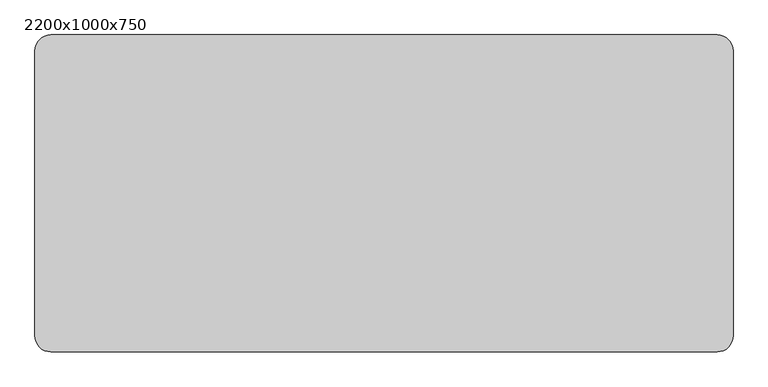
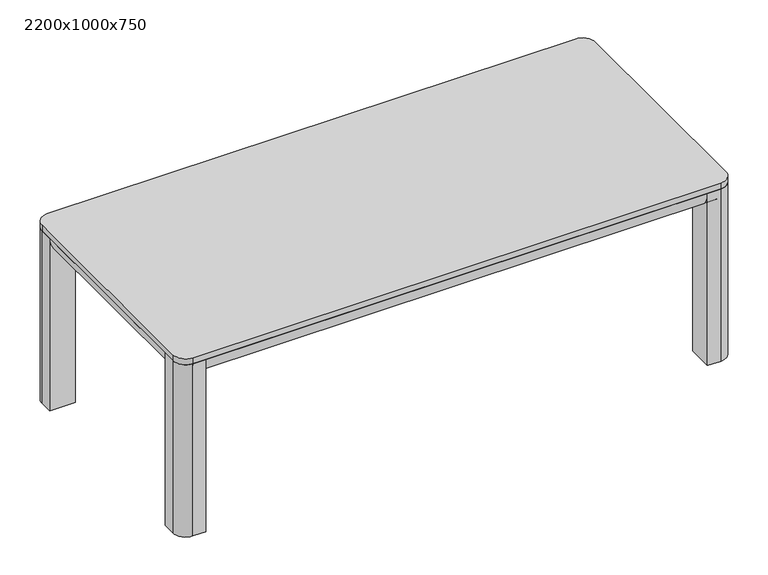
"""IFC4 building model written with IfcOpenShell, lengths in millimetres: furniture geometry, 2200x1000x750."""

import ifcopenshell
import ifcopenshell.guid

model = None  # the IFC model being written
_history = None  # IfcOwnerHistory: only IFC2X3 demands one
_inside = {}  # id of a spatial element -> (the spatial element, [elements in it])
_under = {}  # id of a project, library or spatial element -> (it, [spatial elements below it])
_declared = {}  # id of a project -> (the project, [libraries it declares])
_typed = {}  # id of a type object -> (the type object, [elements of that type])
_made_of = {}  # id of a material, layer set ... -> (it, [elements and type objects made of it])


def new_model(schema):
    """Start an empty IFC model of exactly this schema.

    Asked for "IFC4X3", IfcOpenShell would pick the latest addendum, in which some entities
    have other attributes; the version numbers below select the first issue.
    IFC2X3 requires an IfcOwnerHistory on every rooted entity: one is made here for all.
    """
    global model, _history
    if schema == "IFC4X3":
        model = ifcopenshell.file(schema_version=(4, 3, 0, 0))
    else:
        model = ifcopenshell.file(schema=schema)
    _inside.clear()
    _under.clear()
    _declared.clear()
    _typed.clear()
    _made_of.clear()
    _history = None
    if model.schema == "IFC2X3":
        org = make("IfcOrganization", Name="unknown")
        user = make(
            "IfcPersonAndOrganization",
            ThePerson=make("IfcPerson", FamilyName="unknown"),
            TheOrganization=org,
        )
        app = make(
            "IfcApplication",
            ApplicationDeveloper=org,
            Version="unknown",
            ApplicationFullName="unknown",
            ApplicationIdentifier="unknown",
        )
        _history = make(
            "IfcOwnerHistory",
            OwningUser=user,
            OwningApplication=app,
            ChangeAction="ADDED",
            CreationDate=0,
        )
    return model


def make(cls, **values):
    """One entity of the class cls with the attributes given. An attribute that is None is left unset."""
    return model.create_entity(
        cls, **{name: value for name, value in values.items() if value is not None}
    )


def rooted(cls, **values):
    """An entity with a GlobalId (a new one), such as an element, a storey or a relation."""
    return make(cls, GlobalId=ifcopenshell.guid.new(), OwnerHistory=_history, **values)


def si_unit(unit_type, name, prefix=None):
    """IfcSIUnit, for example si_unit("LENGTHUNIT", "METRE", prefix="MILLI")."""
    return make("IfcSIUnit", UnitType=unit_type, Prefix=prefix, Name=name)


def assignment(units):
    """IfcUnitAssignment: the units of a project."""
    return None if units is None else make("IfcUnitAssignment", Units=units)


def point(xyz):
    """IfcCartesianPoint."""
    return None if xyz is None else make("IfcCartesianPoint", Coordinates=xyz)


def direction(xyz):
    """IfcDirection."""
    return None if xyz is None else make("IfcDirection", DirectionRatios=xyz)


def frame(location, z_axis=None, x_axis=None):
    """IfcAxis2Placement3D, a coordinate frame: its origin and axes. An axis left out is left unset."""
    return make(
        "IfcAxis2Placement3D",
        Location=point(location),
        Axis=direction(z_axis),
        RefDirection=direction(x_axis),
    )


def frame_2d(location, x_axis=None):
    """IfcAxis2Placement2D, a coordinate frame in the plane: its origin and x axis."""
    return make(
        "IfcAxis2Placement2D", Location=point(location), RefDirection=direction(x_axis)
    )


def origin():
    """The frame at (0, 0, 0) with its axes left unset."""
    return frame((0.0, 0.0, 0.0))


def origin_with_axes():
    """The frame at (0, 0, 0) with the z axis (0, 0, 1) and the x axis (1, 0, 0) written out."""
    return frame((0.0, 0.0, 0.0), z_axis=(0.0, 0.0, 1.0), x_axis=(1.0, 0.0, 0.0))


def place(relative_to, where):
    """IfcLocalPlacement: puts the frame where relative to a parent placement (None: the world)."""
    return make(
        "IfcLocalPlacement", PlacementRelTo=relative_to, RelativePlacement=where
    )


def context(
    kind, dimensions, precision=None, world=None, true_north=None, identifier=None
):
    """IfcGeometricRepresentationContext, for example the 3D "Model" context."""
    return make(
        "IfcGeometricRepresentationContext",
        ContextIdentifier=identifier,
        ContextType=kind,
        CoordinateSpaceDimension=dimensions,
        Precision=precision,
        WorldCoordinateSystem=world,
        TrueNorth=true_north,
    )


def project(units=None, contexts=None):
    """IfcProject with its units and contexts."""
    return rooted(
        "IfcProject",
        Name="project",
        RepresentationContexts=contexts,
        UnitsInContext=assignment(units),
    )


def spatial(cls, under=None, at=None, **own):
    """A site, building, storey or space (cls), placed at a placement, below another one or the project."""
    s = rooted(cls, ObjectPlacement=at, **own)
    if under is not None:
        _under.setdefault(under.id(), (under, []))[1].append(s)
    return s


def polyline(points):
    """IfcPolyline through the points."""
    return make("IfcPolyline", Points=[point(p) for p in points])


def circle_curve(where, radius):
    """IfcCircle in the frame where."""
    return make("IfcCircle", Position=where, Radius=radius)


def trimmed(basis, trim1, trim2, sense, master):
    """IfcTrimmedCurve: the piece of a basis curve between two trims."""
    return make(
        "IfcTrimmedCurve",
        BasisCurve=basis,
        Trim1=trim1,
        Trim2=trim2,
        SenseAgreement=sense,
        MasterRepresentation=master,
    )


def segment(curve, same_sense, transition):
    """IfcCompositeCurveSegment."""
    return make(
        "IfcCompositeCurveSegment",
        Transition=transition,
        SameSense=same_sense,
        ParentCurve=curve,
    )


def composite_curve(segments, self_intersect=None):
    """IfcCompositeCurve: segments joined end to end."""
    return make("IfcCompositeCurve", Segments=segments, SelfIntersect=self_intersect)


def outline(outer, holes=None, kind="AREA"):
    """IfcArbitraryClosedProfileDef: a profile drawn as a closed curve; with holes, ...WithVoids."""
    if holes is None:
        return make("IfcArbitraryClosedProfileDef", ProfileType=kind, OuterCurve=outer)
    return make(
        "IfcArbitraryProfileDefWithVoids",
        ProfileType=kind,
        OuterCurve=outer,
        InnerCurves=holes,
    )


def extrude(swept, where, along, depth):
    """IfcExtrudedAreaSolid: the profile swept, set in the frame where, extruded along a direction by depth."""
    return make(
        "IfcExtrudedAreaSolid",
        SweptArea=swept,
        Position=where,
        ExtrudedDirection=direction(along),
        Depth=depth,
    )


def shape(context_of_items, identifier, shape_type, items):
    """IfcShapeRepresentation: the items that make up one representation, for example the "Body"."""
    return make(
        "IfcShapeRepresentation",
        ContextOfItems=context_of_items,
        RepresentationIdentifier=identifier,
        RepresentationType=shape_type,
        Items=items,
    )


def source(mapping_origin, context_of_items, identifier, shape_type, items):
    """IfcRepresentationMap: a shape defined once, which mapped items show again and again."""
    return make(
        "IfcRepresentationMap",
        MappingOrigin=mapping_origin,
        MappedRepresentation=shape(context_of_items, identifier, shape_type, items),
    )


def transform(
    local_origin,
    x_axis=None,
    y_axis=None,
    z_axis=None,
    scale=None,
    scale2=None,
    scale3=None,
    uniform=True,
):
    """IfcCartesianTransformationOperator3D, or its non-uniform kind. x_axis, y_axis, z_axis: its Axis1, 2, 3."""
    if uniform:
        return make(
            "IfcCartesianTransformationOperator3D",
            Axis1=direction(x_axis),
            Axis2=direction(y_axis),
            LocalOrigin=point(local_origin),
            Scale=scale,
            Axis3=direction(z_axis),
        )
    return make(
        "IfcCartesianTransformationOperator3DnonUniform",
        Axis1=direction(x_axis),
        Axis2=direction(y_axis),
        LocalOrigin=point(local_origin),
        Scale=scale,
        Axis3=direction(z_axis),
        Scale2=scale2,
        Scale3=scale3,
    )


def mapped(mapping_source, mapping_target):
    """IfcMappedItem: shows the shape of a source again, moved by a transform."""
    return make(
        "IfcMappedItem", MappingSource=mapping_source, MappingTarget=mapping_target
    )


def made_of(thing, what):
    """Note that an element or type object is made of a material, layer set ...; save() writes the relation."""
    if what is not None:
        _made_of.setdefault(what.id(), (what, []))[1].append(thing)
    return thing


def element(
    cls,
    number,
    at=None,
    inside=None,
    cuts=None,
    type_object=None,
    material=None,
    context=None,
    identifier="Body",
    shape_type=None,
    held_by="IfcProductDefinitionShape",
    body=None,
    shapes=None,
    **own,
):
    """One element of the class cls, such as IfcWall. Its Tag is "e" and its number.

    at: its placement. inside: the storey or other place that contains it. cuts: it is an
    opening in that element (IfcRelVoidsElement). A single representation is given by context,
    identifier, shape_type and body (its items); several are given by shapes. held_by: the class
    of the entity that holds the representations. save() writes the other relations.
    """
    e = rooted(cls, Tag="e%d" % number, ObjectPlacement=at, **own)
    if body is not None:
        shapes = [shape(context, identifier, shape_type, body)]
    if shapes is not None:
        e.Representation = make(held_by, Representations=shapes)
    if inside is not None:
        _inside.setdefault(inside.id(), (inside, []))[1].append(e)
    if cuts is not None:
        rooted(
            "IfcRelVoidsElement", RelatingBuildingElement=cuts, RelatedOpeningElement=e
        )
    if type_object is not None:
        _typed.setdefault(type_object.id(), (type_object, []))[1].append(e)
    return made_of(e, material)


def aggregate(whole, parts):
    """IfcRelAggregates: a whole, such as a stair, and the parts it consists of."""
    return rooted("IfcRelAggregates", RelatingObject=whole, RelatedObjects=parts)


def save(model, path):
    """Write the relations noted so far, then the file.

    IfcRelAggregates (storeys below a building ...), IfcRelContainedInSpatialStructure (elements
    in a storey), IfcRelDefinesByType, IfcRelAssociatesMaterial and IfcRelDeclares: one each for
    every whole, place, type object, material and project.
    """
    for whole, parts in _under.values():
        aggregate(whole, parts)
    for where, things in _inside.values():
        rooted(
            "IfcRelContainedInSpatialStructure",
            RelatedElements=things,
            RelatingStructure=where,
        )
    for kind, things in _typed.values():
        rooted("IfcRelDefinesByType", RelatedObjects=things, RelatingType=kind)
    for what, things in _made_of.values():
        rooted("IfcRelAssociatesMaterial", RelatedObjects=things, RelatingMaterial=what)
    for by, libraries in _declared.values():
        rooted("IfcRelDeclares", RelatingContext=by, RelatedDefinitions=libraries)
    model.write(path)


def furniture_2200x1000x750_7fd173e7(model_context):
    return source(origin(), model_context, "Body", "SweptSolid", [
        extrude(outline(composite_curve([segment(polyline([(0.0, -950.0), (0.0, -898.0), (102.0, -898.0), (102.0, -1000.0), (50.0, -1000.0)]), True, "CONTINUOUS"), segment(trimmed(circle_curve(frame_2d((50.0, -950.0)), 50.0), [point((50.0, -1000.0))], [point((0.0, -950.0))], False, "CARTESIAN"), True, "CONTINUOUS")], self_intersect=False)), origin_with_axes(), (0.0, 0.0, 1.0), 725.0),
        extrude(outline(composite_curve([segment(trimmed(circle_curve(frame_2d((2150.0, -950.0)), 50.0), [point((2200.0, -950.0))], [point((2150.0, -1000.0))], False, "CARTESIAN"), True, "CONTINUOUS"), segment(polyline([(2150.0, -1000.0), (2098.0, -1000.0), (2098.0, -898.0), (2200.0, -898.0), (2200.0, -950.0)]), True, "CONTINUOUS")], self_intersect=False)), origin_with_axes(), (0.0, 0.0, 1.0), 725.0),
        extrude(outline(composite_curve([segment(polyline([(2200.0, -50.0), (2200.0, -102.0), (2098.0, -102.0), (2098.0, 0.0), (2150.0, 0.0)]), True, "CONTINUOUS"), segment(trimmed(circle_curve(frame_2d((2150.0, -50.0)), 50.0), [point((2150.0, 0.0))], [point((2200.0, -50.0))], False, "CARTESIAN"), True, "CONTINUOUS")], self_intersect=False)), origin_with_axes(), (0.0, 0.0, 1.0), 725.0),
        extrude(outline(composite_curve([segment(trimmed(circle_curve(frame_2d((50.0, -50.0)), 50.0), [point((0.0, -50.0))], [point((50.0, 0.0))], False, "CARTESIAN"), True, "CONTINUOUS"), segment(polyline([(50.0, 0.0), (102.0, 0.0), (102.0, -102.0), (0.0, -102.0), (0.0, -50.0)]), True, "CONTINUOUS")], self_intersect=False)), origin_with_axes(), (0.0, 0.0, 1.0), 725.0),
        extrude(outline(composite_curve([segment(polyline([(725.0, 102.0), (725.0, 0.0)]), True, "CONTINUOUS"), segment(trimmed(circle_curve(frame_2d((725.0, 80.0)), 80.0), [point((725.0, 0.0))], [point((645.0, 80.0))], False, "CARTESIAN"), True, "CONTINUOUS"), segment(polyline([(645.0, 80.0), (645.0, 102.0), (725.0, 102.0)]), True, "CONTINUOUS")], self_intersect=False)), frame((0.0, -950.0, 0.0), z_axis=(0.0, 1.0, 0.0), x_axis=(0.0, 0.0, 1.0)), (0.0, 0.0, 1.0), 900.0),
        extrude(outline(composite_curve([segment(polyline([(725.0, 2098.0), (645.0, 2098.0), (645.0, 2120.0)]), True, "CONTINUOUS"), segment(trimmed(circle_curve(frame_2d((725.0, 2120.0)), 80.0), [point((645.0, 2120.0))], [point((725.0, 2200.0))], False, "CARTESIAN"), True, "CONTINUOUS"), segment(polyline([(725.0, 2200.0), (725.0, 2098.0)]), True, "CONTINUOUS")], self_intersect=False)), frame((0.0, -950.0, 0.0), z_axis=(0.0, 1.0, 0.0), x_axis=(0.0, 0.0, 1.0)), (0.0, 0.0, 1.0), 900.0),
        extrude(outline(composite_curve([segment(polyline([(-898.0, 725.0), (-898.0, 645.0), (-920.0, 645.0)]), True, "CONTINUOUS"), segment(trimmed(circle_curve(frame_2d((-920.0, 725.0)), 80.0), [point((-920.0, 645.0))], [point((-1000.0, 725.0))], False, "CARTESIAN"), True, "CONTINUOUS"), segment(polyline([(-1000.0, 725.0), (-898.0, 725.0)]), True, "CONTINUOUS")], self_intersect=False)), frame((50.0, 0.0, 0.0), z_axis=(1.0, 0.0, 0.0), x_axis=(0.0, 1.0, 0.0)), (0.0, 0.0, 1.0), 2100.0),
        extrude(outline(composite_curve([segment(polyline([(-102.0, 725.0), (0.0, 725.0)]), True, "CONTINUOUS"), segment(trimmed(circle_curve(frame_2d((-80.0, 725.0)), 80.0), [point((0.0, 725.0))], [point((-80.0, 645.0))], False, "CARTESIAN"), True, "CONTINUOUS"), segment(polyline([(-80.0, 645.0), (-102.0, 645.0), (-102.0, 725.0)]), True, "CONTINUOUS")], self_intersect=False)), frame((50.0, 0.0, 0.0), z_axis=(1.0, 0.0, 0.0), x_axis=(0.0, 1.0, 0.0)), (0.0, 0.0, 1.0), 2100.0),
        extrude(outline(composite_curve([segment(trimmed(circle_curve(frame_2d((2150.0, -50.0)), 50.0), [point((2150.0, 0.0))], [point((2200.0, -50.0))], False, "CARTESIAN"), True, "CONTINUOUS"), segment(polyline([(2200.0, -50.0), (2200.0, -950.0)]), True, "CONTINUOUS"), segment(trimmed(circle_curve(frame_2d((2150.0, -950.0)), 50.0), [point((2200.0, -950.0))], [point((2150.0, -1000.0))], False, "CARTESIAN"), True, "CONTINUOUS"), segment(polyline([(2150.0, -1000.0), (50.0, -1000.0)]), True, "CONTINUOUS"), segment(trimmed(circle_curve(frame_2d((50.0, -950.0)), 50.0), [point((50.0, -1000.0))], [point((0.0, -950.0))], False, "CARTESIAN"), True, "CONTINUOUS"), segment(polyline([(0.0, -950.0), (0.0, -50.0)]), True, "CONTINUOUS"), segment(trimmed(circle_curve(frame_2d((50.0, -50.0)), 50.0), [point((0.0, -50.0))], [point((50.0, 0.0))], False, "CARTESIAN"), True, "CONTINUOUS"), segment(polyline([(50.0, 0.0), (2150.0, 0.0)]), True, "CONTINUOUS")], self_intersect=False)), frame((0.0, 0.0, 725.0), z_axis=(0.0, 0.0, 1.0), x_axis=(1.0, 0.0, 0.0)), (0.0, 0.0, 1.0), 25.0),
    ])


if __name__ == "__main__":
    model = new_model("IFC4")
    model_context = context("Model", 3, world=origin())
    ifc_project = project(units=[si_unit("LENGTHUNIT", "METRE", prefix="MILLI")], contexts=[model_context])
    site = spatial("IfcSite", under=ifc_project)
    building = spatial("IfcBuilding", under=site)
    placement = place(None, origin())
    furniture_2200x1000x750_shape = furniture_2200x1000x750_7fd173e7(model_context)
    element("IfcFurniture", 1, ObjectType="2200x1000x750", at=placement, inside=building, context=model_context, shape_type="MappedRepresentation", body=[
        mapped(furniture_2200x1000x750_shape, transform((0.0, 0.0, 0.0), x_axis=(1.0, 0.0, 0.0), y_axis=(0.0, 1.0, 0.0), z_axis=(0.0, 0.0, 1.0))),
    ])
    save(model, "model.ifc")
